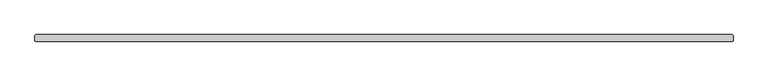
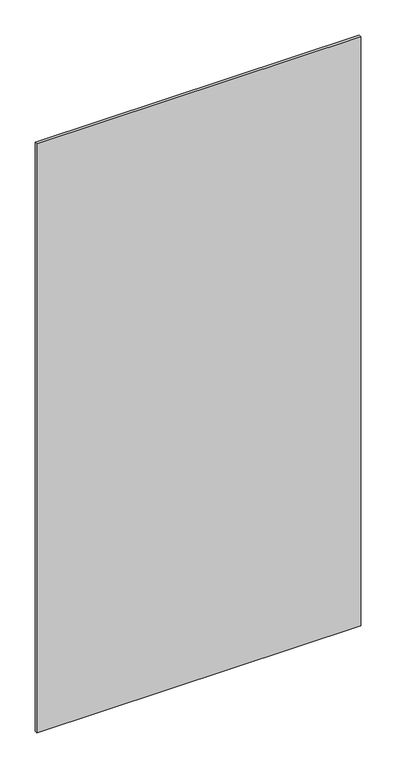
"""IFC4 building model written with IfcOpenShell, lengths in millimetres: plate geometry."""

from ifc_helpers import new_model, si_unit, origin, origin_with_axes, place, context, project, spatial, polyline, outline, extrude, source, transform, mapped, element, save


def plate_017d9fd6(model_context):
    return source(origin(), model_context, "Body", "SweptSolid", [
        extrude(outline(polyline([(630.634375, -36.5125), (-630.634375, -36.5125), (-632.221875, -34.925), (-632.221875, -25.4), (-630.634375, -23.8125), (630.634375, -23.8125), (632.221875, -25.4), (632.221875, -34.925), (630.634375, -36.5125)])), origin_with_axes(), (0.0, 0.0, 1.0), 2428.7789267),
    ])


if __name__ == "__main__":
    model = new_model("IFC4")
    model_context = context("Model", 3, world=origin())
    ifc_project = project(units=[si_unit("LENGTHUNIT", "METRE", prefix="MILLI")], contexts=[model_context])
    site = spatial("IfcSite", under=ifc_project)
    building = spatial("IfcBuilding", under=site)
    placement = place(None, origin())
    plate_shape = plate_017d9fd6(model_context)
    element("IfcPlate", 1, at=placement, inside=building, context=model_context, shape_type="MappedRepresentation", body=[
        mapped(plate_shape, transform((0.0, 0.0, 0.0), x_axis=(1.0, 0.0, 0.0), y_axis=(0.0, 1.0, 0.0), z_axis=(0.0, 0.0, 1.0))),
    ])
    save(model, "model.ifc")
